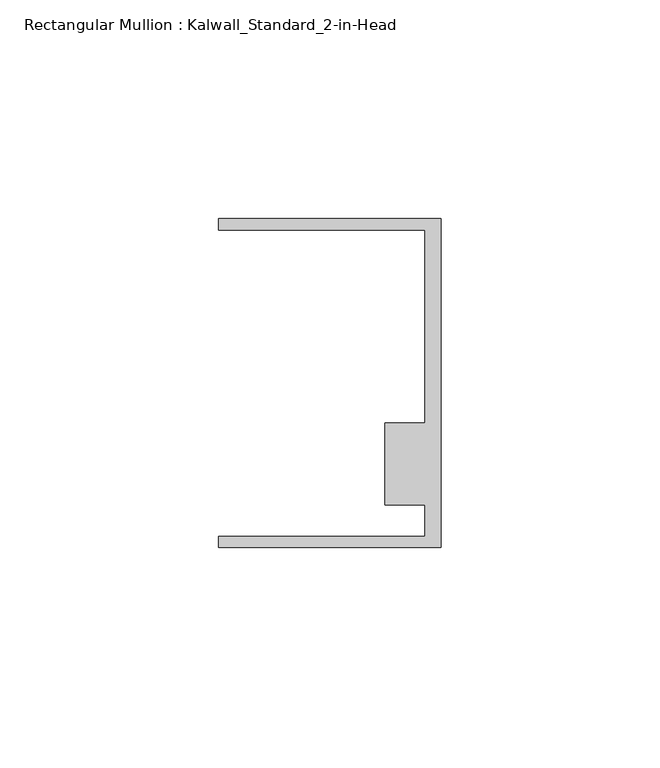
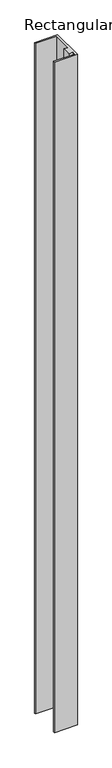
"""IFC4 building model written with IfcOpenShell, lengths in millimetres: member geometry, Rectangular Mullion : Kalwall_Standard_2-in-Head."""

from ifc_helpers import new_model, si_unit, frame, origin, place, context, project, spatial, polyline, outline, extrude, source, transform, mapped, element, save


def rectangular_mullion_kalwall_standard_2_in_head_eb647ba1(model_context):
    return source(origin(), model_context, "Body", "SweptSolid", [
        extrude(outline(polyline([(0.0, -37.5776386), (-50.8, -37.5776386), (-50.8, -35.0376386), (-3.7084, -35.0376386), (-3.7084, -27.8888568), (-12.8272539, -27.8888568), (-12.8272539, -9.1879886), (-3.7084, -9.1879886), (-3.7084, 34.9623614), (-50.8, 34.9623614), (-50.8, 37.5023614), (0.0, 37.5023614), (0.0, -37.5776386)])), frame((0.0, 0.0, -1567.0310003), z_axis=(0.0, 0.0, 1.0), x_axis=(1.0, 0.0, 0.0)), (0.0, 0.0, 1.0), 1567.0310003),
    ])


if __name__ == "__main__":
    model = new_model("IFC4")
    model_context = context("Model", 3, world=origin())
    ifc_project = project(units=[si_unit("LENGTHUNIT", "METRE", prefix="MILLI")], contexts=[model_context])
    site = spatial("IfcSite", under=ifc_project)
    building = spatial("IfcBuilding", under=site)
    placement = place(None, origin())
    rectangular_mullion_kalwall_standard_2_in_head_shape = rectangular_mullion_kalwall_standard_2_in_head_eb647ba1(model_context)
    element("IfcMember", 1, ObjectType="Rectangular Mullion : Kalwall_Standard_2-in-Head", at=placement, inside=building, context=model_context, shape_type="MappedRepresentation", body=[
        mapped(rectangular_mullion_kalwall_standard_2_in_head_shape, transform((0.0, 0.0, 0.0), x_axis=(1.0, 0.0, 0.0), y_axis=(0.0, 1.0, 0.0), z_axis=(0.0, 0.0, 1.0))),
    ])
    save(model, "model.ifc")
